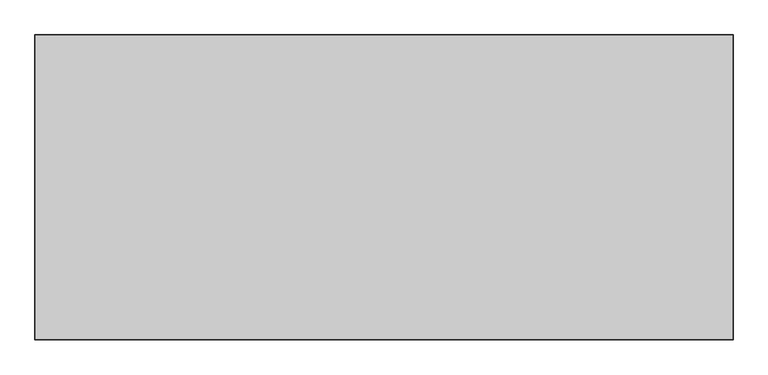
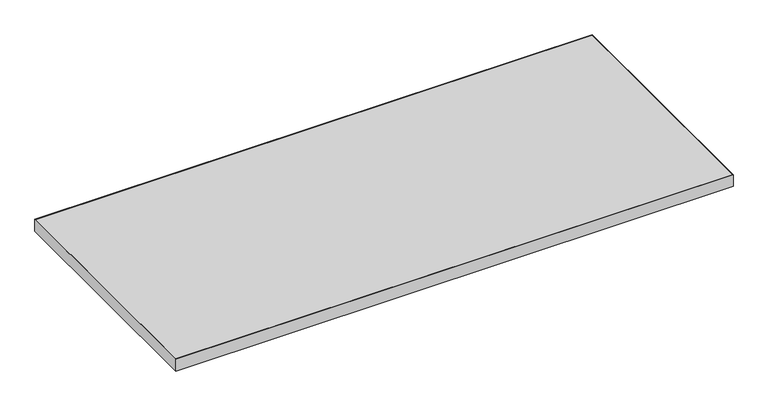
"""IFC4 building model written with IfcOpenShell, lengths in millimetres: furniture geometry."""

from ifc_helpers import new_model, si_unit, frame, origin, place, context, project, spatial, polyline, outline, extrude, source, transform, mapped, element, save


def furniture_a797ed20(model_context):
    return source(origin(), model_context, "Body", "SweptSolid", [
        extrude(outline(polyline([(1218.184, 532.384), (1218.184, 1.016), (1.016, 1.016), (1.016, 532.384), (1218.184, 532.384)])), frame((0.0, 0.0, 697.2297529), z_axis=(0.0, 0.0, 1.0), x_axis=(1.0, 0.0, 0.0)), (0.0, 0.0, 1.0), 26.924),
        extrude(outline(polyline([(1219.2, 0.0), (0.0, 0.0), (0.0, 533.4), (1219.2, 533.4), (1219.2, 0.0)]), holes=[polyline([(1218.184, 532.384), (1.016, 532.384), (1.016, 1.016), (1218.184, 1.016), (1218.184, 532.384)])]), frame((0.0, 0.0, 697.2297529), z_axis=(0.0, 0.0, 1.0), x_axis=(1.0, 0.0, 0.0)), (0.0, 0.0, 1.0), 26.924),
    ])


if __name__ == "__main__":
    model = new_model("IFC4")
    model_context = context("Model", 3, world=origin())
    ifc_project = project(units=[si_unit("LENGTHUNIT", "METRE", prefix="MILLI")], contexts=[model_context])
    site = spatial("IfcSite", under=ifc_project)
    building = spatial("IfcBuilding", under=site)
    placement = place(None, origin())
    furniture_shape = furniture_a797ed20(model_context)
    element("IfcFurniture", 1, at=placement, inside=building, context=model_context, shape_type="MappedRepresentation", body=[
        mapped(furniture_shape, transform((0.0, 0.0, 0.0), x_axis=(1.0, 0.0, 0.0), y_axis=(0.0, 1.0, 0.0), z_axis=(0.0, 0.0, 1.0))),
    ])
    save(model, "model.ifc")
